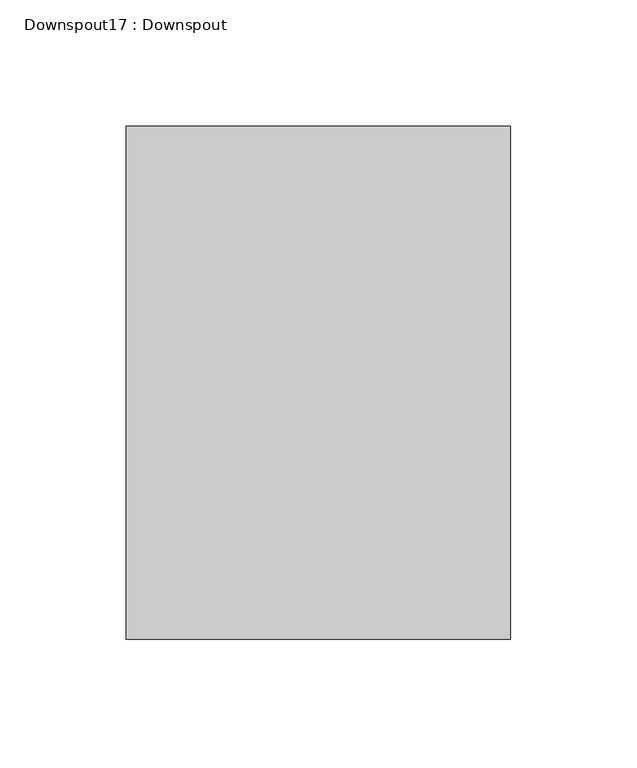
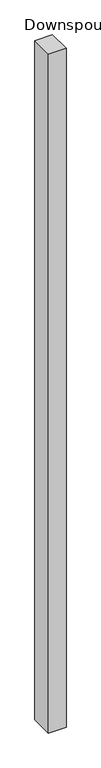
"""IFC4 building model written with IfcOpenShell, lengths in millimetres: proxy geometry, Downspout17 : Downspout."""

from ifc_helpers import new_model, si_unit, frame, origin, place, context, project, spatial, polyline, outline, extrude, source, transform, mapped, element, save


def downspout17_downspout_b215ae46(model_context):
    return source(origin(), model_context, "Body", "SweptSolid", [
        extrude(outline(polyline([(254589.5557747, 284901.5980843), (254741.9557747, 284901.5980843), (254741.9557747, 284698.3980843), (254589.5557747, 284698.3980843), (254589.5557747, 284901.5980843)])), frame((0.0, 0.0, -203.2), z_axis=(0.0, 0.0, 1.0), x_axis=(1.0, 0.0, 0.0)), (0.0, 0.0, 1.0), 6226.6953907),
    ])


if __name__ == "__main__":
    model = new_model("IFC4")
    model_context = context("Model", 3, world=origin())
    ifc_project = project(units=[si_unit("LENGTHUNIT", "METRE", prefix="MILLI")], contexts=[model_context])
    site = spatial("IfcSite", under=ifc_project)
    building = spatial("IfcBuilding", under=site)
    placement = place(None, origin())
    downspout17_downspout_shape = downspout17_downspout_b215ae46(model_context)
    element("IfcBuildingElementProxy", 1, Name="Downspout17 : Downspout", ObjectType="Downspout17 : Downspout", at=placement, inside=building, context=model_context, shape_type="MappedRepresentation", body=[
        mapped(downspout17_downspout_shape, transform((0.0, 0.0, 0.0), x_axis=(1.0, 0.0, 0.0), y_axis=(0.0, 1.0, 0.0), z_axis=(0.0, 0.0, 1.0))),
    ])
    save(model, "model.ifc")
